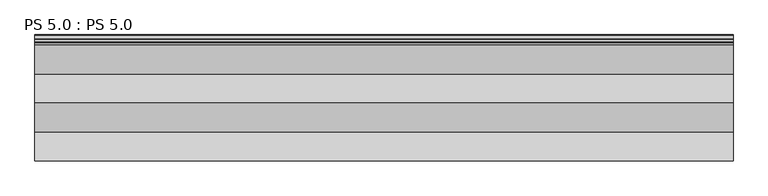
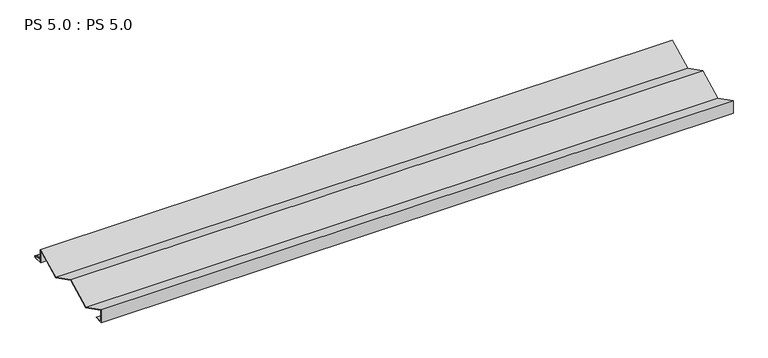
"""IFC4 building model written with IfcOpenShell, lengths in millimetres: proxy geometry, PS 5.0 : PS 5.0."""

from ifc_helpers import new_model, si_unit, point, frame, frame_2d, origin, place, context, project, spatial, polyline, circle_curve, trimmed, segment, composite_curve, outline, extrude, source, transform, mapped, element, save


def ps_5_0_ps_5_0_746c6a23(model_context):
    return source(origin(), model_context, "Body", "SweptSolid", [
        extrude(outline(composite_curve([segment(polyline([(0.0, 0.0), (0.0, 38.0), (75.0, 0.0), (150.0, 38.0), (224.9983223, 0.0), (299.9966446, 38.0), (299.9966446, 0.0), (325.0510156, 0.0)]), True, "CONTINUOUS"), segment(trimmed(circle_curve(frame_2d((324.3094696, 1.9153551)), 2.0538928), [point((325.0510156, 0.0))], [point((325.1748462, 3.778041))], True, "CARTESIAN"), True, "CONTINUOUS"), segment(polyline([(325.1748462, 3.778041), (308.7874714, 6.923107)]), True, "CONTINUOUS"), segment(trimmed(circle_curve(frame_2d((309.4078886, 8.6005442)), 1.7884947), [point((308.7874714, 6.923107))], [point((308.9525789, 10.3301125))], False, "CARTESIAN"), True, "CONTINUOUS"), segment(polyline([(308.9525789, 10.3301125), (316.459338, 11.6715995), (316.635255, 10.6871945), (309.1762081, 9.3542338)]), True, "CONTINUOUS"), segment(trimmed(circle_curve(frame_2d((309.4078886, 8.6005442)), 0.7884947), [point((309.1762081, 9.3542338))], [point((309.0735117, 7.8864603))], True, "CARTESIAN"), True, "CONTINUOUS"), segment(polyline([(309.0735117, 7.8864603), (325.4722719, 4.7392091)]), True, "CONTINUOUS"), segment(trimmed(circle_curve(frame_2d((324.3094696, 1.9153551)), 3.0538928), [point((325.4722719, 4.7392091))], [point((325.2188462, -1.0))], False, "CARTESIAN"), True, "CONTINUOUS"), segment(polyline([(325.2188462, -1.0), (298.9966446, -1.0), (298.9966446, 36.3722856), (224.9983223, -1.1210364), (149.9999949, 36.8789662), (75.0, -1.1210313), (1.0, 36.3723021), (1.0, 1.0), (25.0, 1.0), (25.0, 0.0), (0.0, 0.0)]), True, "CONTINUOUS")], self_intersect=False)), frame((0.0, 0.0, 0.0), z_axis=(1.0, 0.0, 0.0), x_axis=(0.0, 1.0, 0.0)), (0.0, 0.0, 1.0), 1805.6641938),
    ])


if __name__ == "__main__":
    model = new_model("IFC4")
    model_context = context("Model", 3, world=origin())
    ifc_project = project(units=[si_unit("LENGTHUNIT", "METRE", prefix="MILLI")], contexts=[model_context])
    site = spatial("IfcSite", under=ifc_project)
    building = spatial("IfcBuilding", under=site)
    placement = place(None, origin())
    ps_5_0_ps_5_0_shape = ps_5_0_ps_5_0_746c6a23(model_context)
    element("IfcBuildingElementProxy", 1, Name="PS 5.0 : PS 5.0", ObjectType="PS 5.0 : PS 5.0", at=placement, inside=building, context=model_context, shape_type="MappedRepresentation", body=[
        mapped(ps_5_0_ps_5_0_shape, transform((0.0, 0.0, 0.0), x_axis=(1.0, 0.0, 0.0), y_axis=(0.0, 1.0, 0.0), z_axis=(0.0, 0.0, 1.0))),
    ])
    save(model, "model.ifc")
